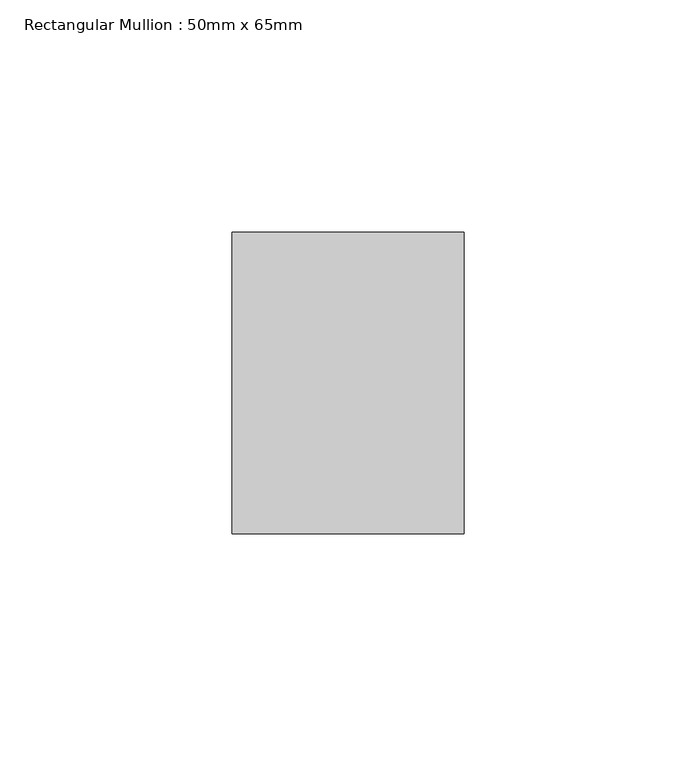
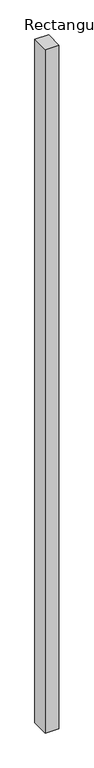
"""IFC4 building model written with IfcOpenShell, lengths in millimetres: member geometry, Rectangular Mullion : 50mm x 65mm."""

from ifc_helpers import new_model, si_unit, frame, origin, place, context, project, spatial, polyline, outline, extrude, source, transform, mapped, element, save


def rectangular_mullion_50mm_x_65mm_c2adbe14(model_context):
    return source(origin(), model_context, "Body", "SweptSolid", [
        extrude(outline(polyline([(25.0, 32.5), (25.0, -32.5), (-25.0, -32.5), (-25.0, 32.5), (25.0, 32.5)])), frame((0.0, 0.0, -2625.0746859), z_axis=(0.0, 0.0, 1.0), x_axis=(1.0, 0.0, 0.0)), (0.0, 0.0, 1.0), 2625.0746859),
    ])


if __name__ == "__main__":
    model = new_model("IFC4")
    model_context = context("Model", 3, world=origin())
    ifc_project = project(units=[si_unit("LENGTHUNIT", "METRE", prefix="MILLI")], contexts=[model_context])
    site = spatial("IfcSite", under=ifc_project)
    building = spatial("IfcBuilding", under=site)
    placement = place(None, origin())
    rectangular_mullion_50mm_x_65mm_shape = rectangular_mullion_50mm_x_65mm_c2adbe14(model_context)
    element("IfcMember", 1, ObjectType="Rectangular Mullion : 50mm x 65mm", at=placement, inside=building, context=model_context, shape_type="MappedRepresentation", body=[
        mapped(rectangular_mullion_50mm_x_65mm_shape, transform((0.0, 0.0, 0.0), x_axis=(1.0, 0.0, 0.0), y_axis=(0.0, 1.0, 0.0), z_axis=(0.0, 0.0, 1.0))),
    ])
    save(model, "model.ifc")
